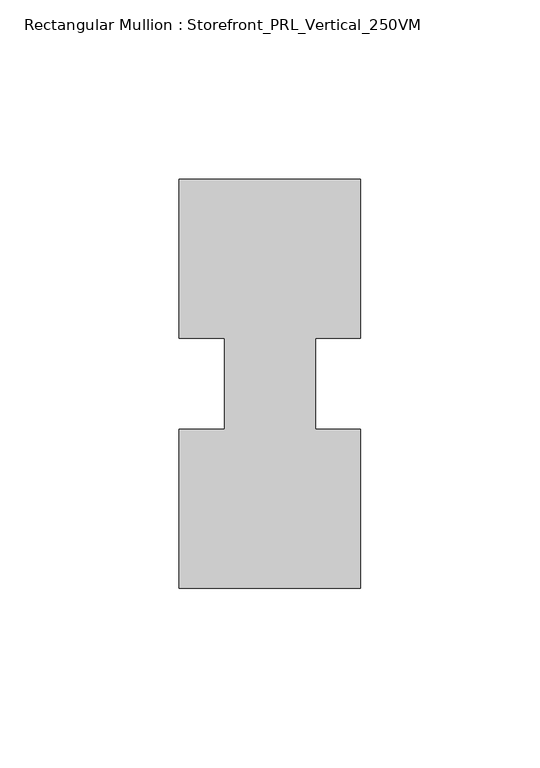
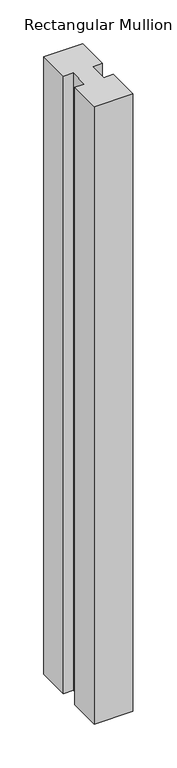
"""IFC4 building model written with IfcOpenShell, lengths in millimetres: member geometry, Rectangular Mullion : Storefront_PRL_Vertical_250VM."""

from ifc_helpers import new_model, si_unit, frame, origin, place, context, project, spatial, polyline, outline, extrude, source, transform, mapped, element, save


def rectangular_mullion_storefront_prl_vertical_250vm_9b104188(model_context):
    return source(origin(), model_context, "Body", "SweptSolid", [
        extrude(outline(polyline([(-12.7, -12.7), (-12.7, 12.7), (-25.4, 12.7), (-25.4, 57.15), (25.4, 57.15), (25.4, 12.7), (12.7, 12.7), (12.7, -12.7), (25.4, -12.7), (25.4, -57.15), (-25.4, -57.15), (-25.4, -12.7), (-12.7, -12.7)])), frame((0.0, 0.0, -857.25), z_axis=(0.0, 0.0, 1.0), x_axis=(1.0, 0.0, 0.0)), (0.0, 0.0, 1.0), 857.25),
    ])


if __name__ == "__main__":
    model = new_model("IFC4")
    model_context = context("Model", 3, world=origin())
    ifc_project = project(units=[si_unit("LENGTHUNIT", "METRE", prefix="MILLI")], contexts=[model_context])
    site = spatial("IfcSite", under=ifc_project)
    building = spatial("IfcBuilding", under=site)
    placement = place(None, origin())
    rectangular_mullion_storefront_prl_vertical_250vm_shape = rectangular_mullion_storefront_prl_vertical_250vm_9b104188(model_context)
    element("IfcMember", 1, ObjectType="Rectangular Mullion : Storefront_PRL_Vertical_250VM", at=placement, inside=building, context=model_context, shape_type="MappedRepresentation", body=[
        mapped(rectangular_mullion_storefront_prl_vertical_250vm_shape, transform((0.0, 0.0, 0.0), x_axis=(1.0, 0.0, 0.0), y_axis=(0.0, 1.0, 0.0), z_axis=(0.0, 0.0, 1.0))),
    ])
    save(model, "model.ifc")
